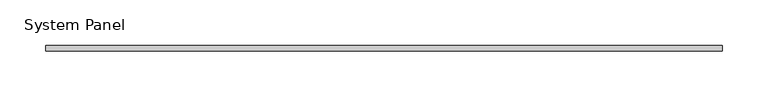
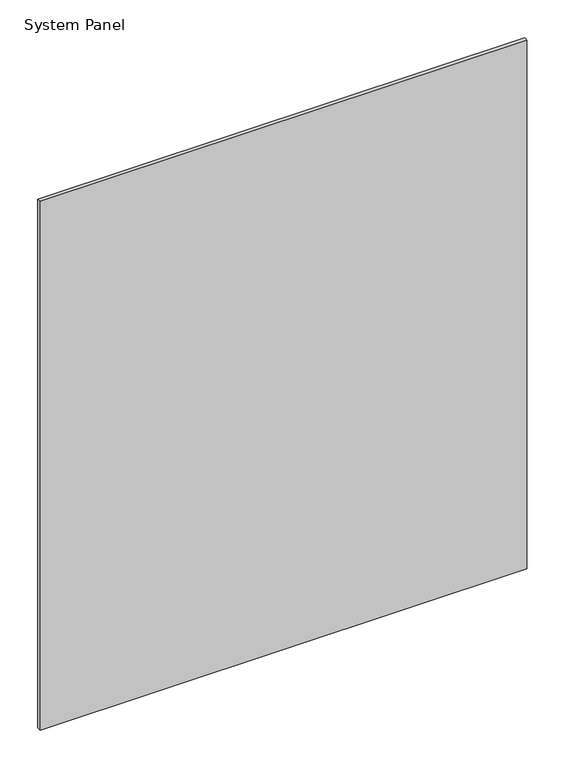
"""IFC4 building model written with IfcOpenShell, lengths in millimetres: plate geometry, System Panel."""

from ifc_helpers import new_model, si_unit, origin, origin_with_axes, place, context, project, spatial, polyline, outline, extrude, source, transform, mapped, element, save


def system_panel_43ffac60(model_context):
    return source(origin(), model_context, "Body", "SweptSolid", [
        extrude(outline(polyline([(370.0, -3.0), (-370.0, -3.0), (-370.0, 3.0), (370.0, 3.0), (370.0, -3.0)])), origin_with_axes(), (0.0, 0.0, 1.0), 850.0),
    ])


if __name__ == "__main__":
    model = new_model("IFC4")
    model_context = context("Model", 3, world=origin())
    ifc_project = project(units=[si_unit("LENGTHUNIT", "METRE", prefix="MILLI")], contexts=[model_context])
    site = spatial("IfcSite", under=ifc_project)
    building = spatial("IfcBuilding", under=site)
    placement = place(None, origin())
    system_panel_shape = system_panel_43ffac60(model_context)
    element("IfcPlate", 1, ObjectType="System Panel", at=placement, inside=building, context=model_context, shape_type="MappedRepresentation", body=[
        mapped(system_panel_shape, transform((0.0, 0.0, 0.0), x_axis=(1.0, 0.0, 0.0), y_axis=(0.0, 1.0, 0.0), z_axis=(0.0, 0.0, 1.0))),
    ])
    save(model, "model.ifc")
